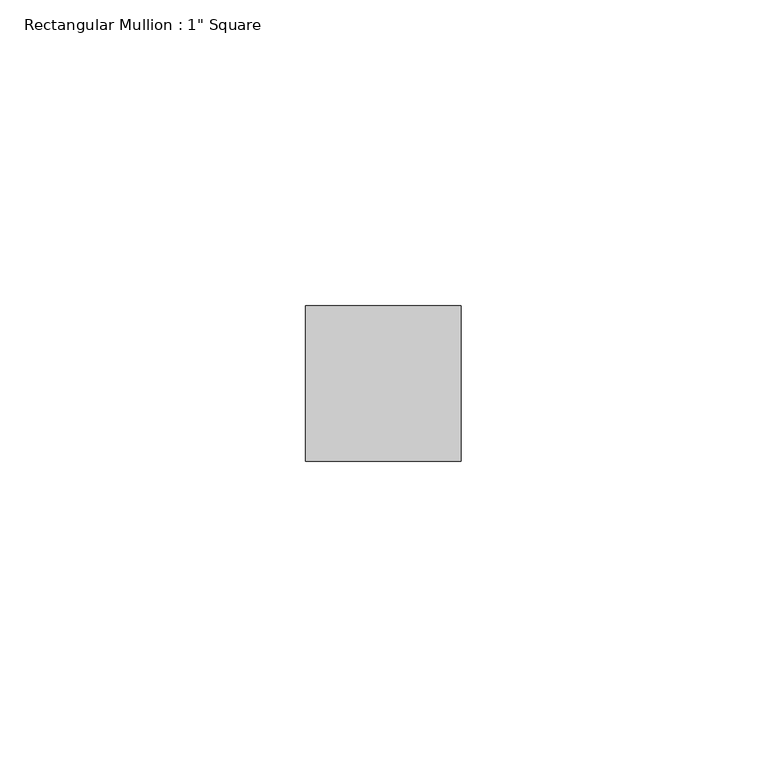
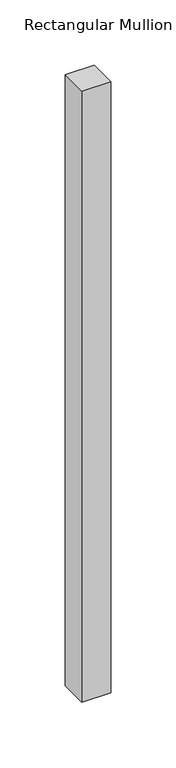
"""IFC4 building model written with IfcOpenShell, lengths in millimetres: member geometry."""

from ifc_helpers import new_model, si_unit, frame, origin, place, context, project, spatial, polyline, outline, extrude, source, transform, mapped, element, save


def member_aa817e7f(model_context):
    return source(origin(), model_context, "Body", "SweptSolid", [
        extrude(outline(polyline([(12.7, 12.7), (12.7, -12.7), (-12.7, -12.7), (-12.7, 12.7), (12.7, 12.7)])), frame((0.0, 0.0, -571.5), z_axis=(0.0, 0.0, 1.0), x_axis=(1.0, 0.0, 0.0)), (0.0, 0.0, 1.0), 571.5),
    ])


if __name__ == "__main__":
    model = new_model("IFC4")
    model_context = context("Model", 3, world=origin())
    ifc_project = project(units=[si_unit("LENGTHUNIT", "METRE", prefix="MILLI")], contexts=[model_context])
    site = spatial("IfcSite", under=ifc_project)
    building = spatial("IfcBuilding", under=site)
    placement = place(None, origin())
    member_shape = member_aa817e7f(model_context)
    element("IfcMember", 1, ObjectType="Rectangular Mullion : 1\" Square", at=placement, inside=building, context=model_context, shape_type="MappedRepresentation", body=[
        mapped(member_shape, transform((0.0, 0.0, 0.0), x_axis=(1.0, 0.0, 0.0), y_axis=(0.0, 1.0, 0.0), z_axis=(0.0, 0.0, 1.0))),
    ])
    save(model, "model.ifc")
